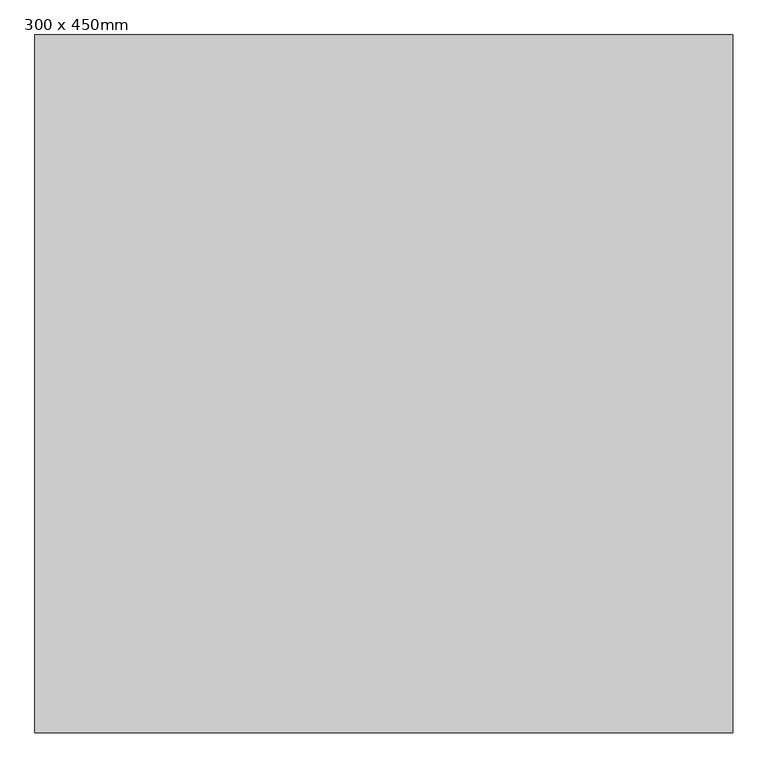
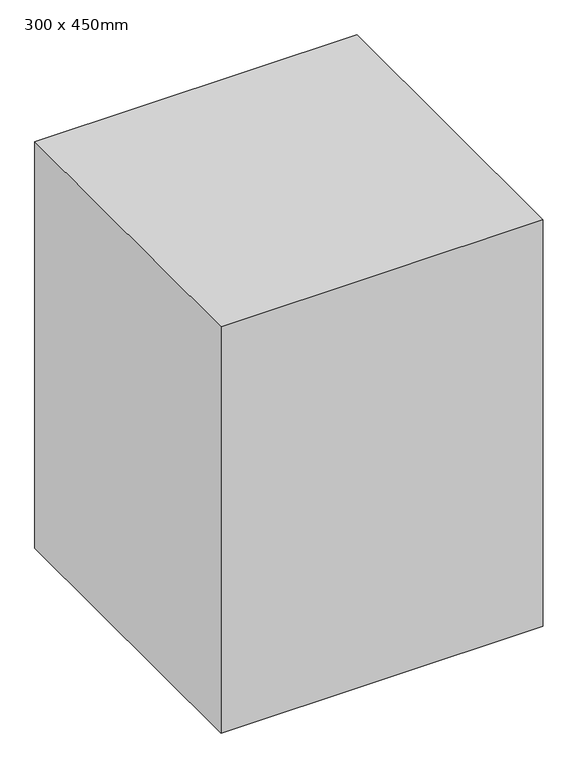
"""IFC4 building model written with IfcOpenShell, lengths in millimetres: column geometry, 300 x 450mm."""

from ifc_helpers import new_model, si_unit, frame, origin, place, context, project, spatial, polyline, outline, extrude, source, transform, mapped, element, save


def column_300_x_450mm_fcf06f54(model_context):
    return source(origin(), model_context, "Body", "SweptSolid", [
        extrude(outline(polyline([(1500.0, 1500.0), (1500.0, -1500.0), (-1500.0, -1500.0), (-1500.0, 1500.0), (1500.0, 1500.0)])), frame((0.0, 0.0, 4000.0), z_axis=(0.0, 0.0, 1.0), x_axis=(1.0, 0.0, 0.0)), (0.0, 0.0, 1.0), 4000.0),
    ])


if __name__ == "__main__":
    model = new_model("IFC4")
    model_context = context("Model", 3, world=origin())
    ifc_project = project(units=[si_unit("LENGTHUNIT", "METRE", prefix="MILLI")], contexts=[model_context])
    site = spatial("IfcSite", under=ifc_project)
    building = spatial("IfcBuilding", under=site)
    placement = place(None, origin())
    column_300_x_450mm_shape = column_300_x_450mm_fcf06f54(model_context)
    element("IfcColumn", 1, ObjectType="300 x 450mm", at=placement, inside=building, context=model_context, shape_type="MappedRepresentation", body=[
        mapped(column_300_x_450mm_shape, transform((0.0, 0.0, 0.0), x_axis=(1.0, 0.0, 0.0), y_axis=(0.0, 1.0, 0.0), z_axis=(0.0, 0.0, 1.0))),
    ])
    save(model, "model.ifc")
